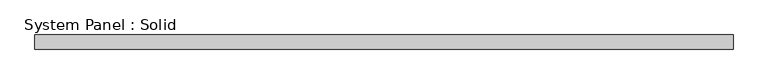
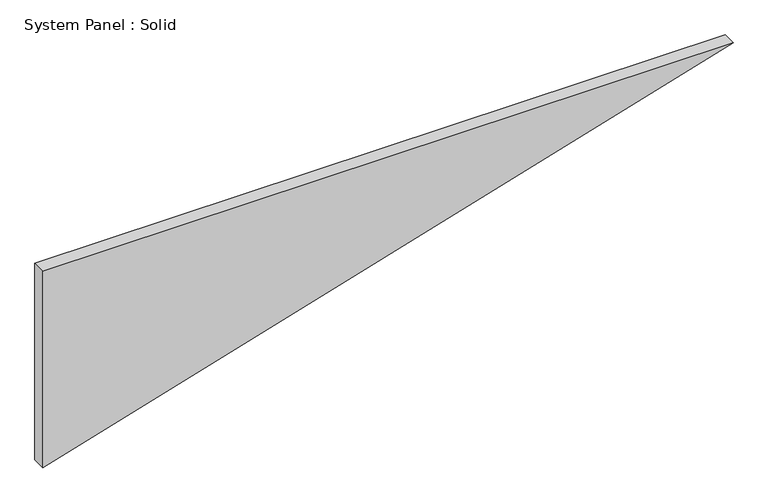
"""IFC4 building model written with IfcOpenShell, lengths in millimetres: plate geometry, System Panel : Solid."""

from ifc_helpers import new_model, si_unit, frame, origin, place, context, project, spatial, polyline, outline, extrude, source, transform, mapped, element, save


def system_panel_solid_dd7bc212(model_context):
    return source(origin(), model_context, "Body", "SweptSolid", [
        extrude(outline(polyline([(892.9955962, -1485.4358291), (0.0, -1485.4358291), (892.9955962, 1485.4358291), (892.9955962, -1485.4358291)])), frame((0.0, -10.5, 0.0), z_axis=(0.0, 1.0, 0.0), x_axis=(0.0, 0.0, 1.0)), (0.0, 0.0, 1.0), 60.0),
    ])


if __name__ == "__main__":
    model = new_model("IFC4")
    model_context = context("Model", 3, world=origin())
    ifc_project = project(units=[si_unit("LENGTHUNIT", "METRE", prefix="MILLI")], contexts=[model_context])
    site = spatial("IfcSite", under=ifc_project)
    building = spatial("IfcBuilding", under=site)
    placement = place(None, origin())
    system_panel_solid_shape = system_panel_solid_dd7bc212(model_context)
    element("IfcPlate", 1, ObjectType="System Panel : Solid", at=placement, inside=building, context=model_context, shape_type="MappedRepresentation", body=[
        mapped(system_panel_solid_shape, transform((0.0, 0.0, 0.0), x_axis=(1.0, 0.0, 0.0), y_axis=(0.0, 1.0, 0.0), z_axis=(0.0, 0.0, 1.0))),
    ])
    save(model, "model.ifc")
